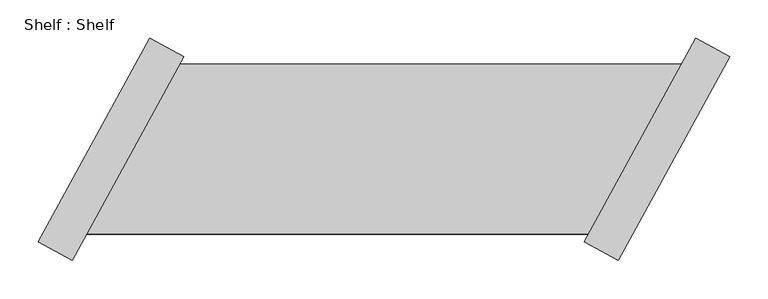
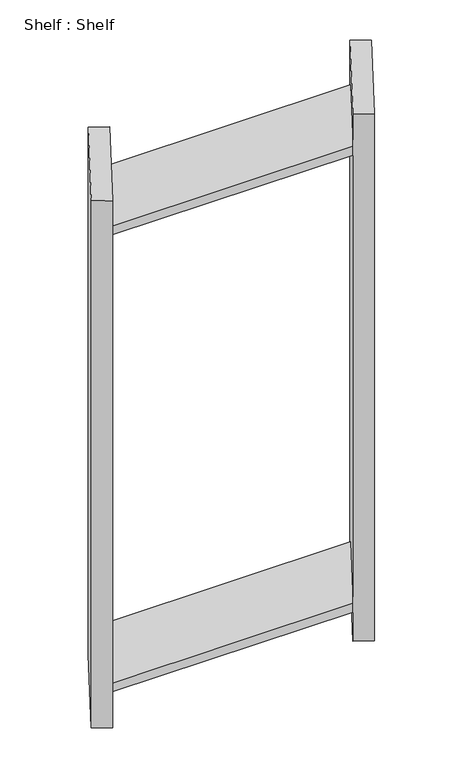
"""IFC4 building model written with IfcOpenShell, lengths in millimetres: proxy geometry, Shelf : Shelf."""

from ifc_helpers import new_model, si_unit, origin, place, context, project, spatial, faceted_brep, source, transform, mapped, element, save


def shelf_shelf_d82d43b9(model_context):
    return source(origin(), model_context, "Body", "Brep", [
        faceted_brep([(-363.843224, 111.4177368, 1422.4), (-363.843224, 111.4177368, 1397.0), (-1022.0354173, 111.4177368, 1397.0), (-1022.0354173, 111.4177368, 1422.4), (-485.7462664, -111.4177368, 1397.0), (-1143.9384597, -111.4177368, 1397.0), (-485.7462664, -111.4177368, 1422.4), (-1143.9384597, -111.4177368, 1422.4), (-300.4170701, 121.5109799, 0.0), (-446.700721, -145.8915883, 0.0), (-491.2678157, -121.5109799, 0.0), (-344.9841648, 145.8915883, 0.0), (-446.700721, -145.8915883, 1524.0), (-491.2678157, -121.5109799, 1524.0), (-300.4170701, 121.5109799, 1524.0), (-344.9841648, 145.8915883, 1524.0), (-485.7462664, -111.4177368, 76.2), (-363.843224, 111.4177368, 76.2), (-363.843224, 111.4177368, 101.6), (-485.7462664, -111.4177368, 101.6), (-1143.9384597, -111.4177368, 76.2), (-1022.0354173, 111.4177368, 76.2), (-1143.9384597, -111.4177368, 101.6), (-1022.0354173, 111.4177368, 101.6), (-1207.3646136, -121.5109799, 0.0), (-1061.0809627, 145.8915883, 0.0), (-1016.513868, 121.5109799, 0.0), (-1162.7975189, -145.8915883, 0.0), (-1162.7975189, -145.8915883, 1524.0), (-1207.3646136, -121.5109799, 1524.0), (-1016.513868, 121.5109799, 1524.0), (-1061.0809627, 145.8915883, 1524.0)], [[[0, 1, 2, 3]], [[1, 4, 5, 2]], [[4, 6, 7, 5]], [[6, 0, 3, 7]], [[8, 9, 10, 11]], [[10, 9, 12, 13]], [[13, 12, 14, 15]], [[8, 11, 15, 14]], [[11, 10, 13, 15], [1, 0, 6, 4], [16, 17, 18, 19]], [[9, 8, 14, 12]], [[17, 16, 20, 21]], [[16, 19, 22, 20]], [[19, 18, 23, 22]], [[18, 17, 21, 23]], [[24, 25, 26, 27]], [[24, 27, 28, 29]], [[29, 28, 30, 31]], [[26, 25, 31, 30]], [[27, 26, 30, 28], [3, 2, 5, 7], [21, 20, 22, 23]], [[25, 24, 29, 31]]]),
    ])


if __name__ == "__main__":
    model = new_model("IFC4")
    model_context = context("Model", 3, world=origin())
    ifc_project = project(units=[si_unit("LENGTHUNIT", "METRE", prefix="MILLI")], contexts=[model_context])
    site = spatial("IfcSite", under=ifc_project)
    building = spatial("IfcBuilding", under=site)
    placement = place(None, origin())
    shelf_shelf_shape = shelf_shelf_d82d43b9(model_context)
    element("IfcBuildingElementProxy", 1, Name="Shelf : Shelf", ObjectType="Shelf : Shelf", at=placement, inside=building, context=model_context, shape_type="MappedRepresentation", body=[
        mapped(shelf_shelf_shape, transform((0.0, 0.0, 0.0), x_axis=(1.0, 0.0, 0.0), y_axis=(0.0, 1.0, 0.0), z_axis=(0.0, 0.0, 1.0))),
    ])
    save(model, "model.ifc")
